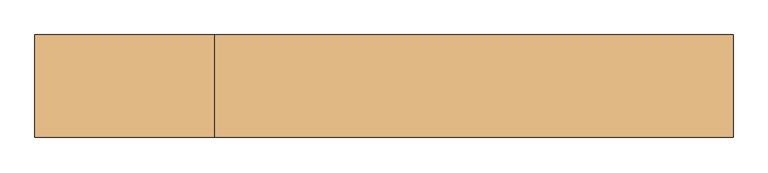
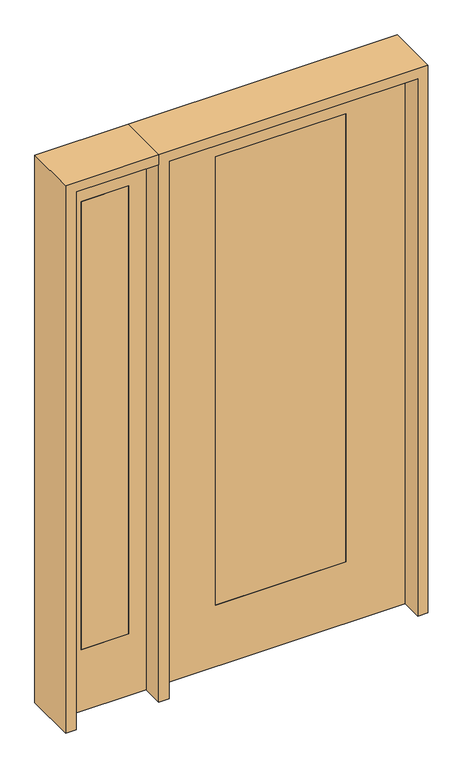
"""IFC4 building model written with IfcOpenShell, lengths in millimetres: door geometry."""

from ifc_helpers import new_model, si_unit, frame, origin, place, context, project, spatial, polyline, outline, extrude, source, transform, mapped, element, save


def door_0885e00e(model_context):
    return source(origin(), model_context, "Body", "SweptSolid", [
        extrude(outline(polyline([(-654.05, -20.6375), (-857.25, -20.6375), (-857.25, 20.6375), (-654.05, 20.6375), (-654.05, -20.6375)])), frame((0.0, 0.0, 279.4), z_axis=(0.0, 0.0, 1.0), x_axis=(1.0, 0.0, 0.0)), (0.0, 0.0, 1.0), 2032.0),
        extrude(outline(polyline([(0.0, -933.45), (0.0, -577.85), (2438.4, -577.85), (2438.4, -933.45), (0.0, -933.45)]), holes=[polyline([(2311.4, -654.05), (279.4, -654.05), (279.4, -857.25), (2311.4, -857.25), (2311.4, -654.05)])]), frame((0.0, -20.6375, 0.0), z_axis=(0.0, 1.0, 0.0), x_axis=(0.0, 0.0, 1.0)), (0.0, 0.0, 1.0), 41.275),
        extrude(outline(polyline([(2438.4, 533.4), (2438.4, -533.4), (0.0, -533.4), (0.0, 533.4), (2438.4, 533.4)]), holes=[polyline([(279.4, 279.4), (279.4, -279.4), (2311.4, -279.4), (2311.4, 279.4), (279.4, 279.4)])]), frame((0.0, -20.6375, 0.0), z_axis=(0.0, 1.0, 0.0), x_axis=(0.0, 0.0, 1.0)), (0.0, 0.0, 1.0), 41.275),
        extrude(outline(polyline([(279.4, -20.6375), (-279.4, -20.6375), (-279.4, 20.6375), (279.4, 20.6375), (279.4, -20.6375)])), frame((0.0, 0.0, 279.4), z_axis=(0.0, 0.0, 1.0), x_axis=(1.0, 0.0, 0.0)), (0.0, 0.0, 1.0), 2032.0),
        extrude(outline(polyline([(2438.4, -577.85), (2482.85, -577.85), (2482.85, -977.9), (0.0, -977.9), (0.0, -933.45), (2438.4, -933.45), (2438.4, -577.85)])), frame((0.0, -114.3, 0.0), z_axis=(0.0, 1.0, 0.0), x_axis=(0.0, 0.0, 1.0)), (0.0, 0.0, 1.0), 228.6),
        extrude(outline(polyline([(2482.85, -577.85), (0.0, -577.85), (0.0, -533.4), (2438.4, -533.4), (2438.4, 533.4), (0.0, 533.4), (0.0, 577.85), (2482.85, 577.85), (2482.85, -577.85)])), frame((0.0, -114.3, 0.0), z_axis=(0.0, 1.0, 0.0), x_axis=(0.0, 0.0, 1.0)), (0.0, 0.0, 1.0), 228.6),
    ])


if __name__ == "__main__":
    model = new_model("IFC4")
    model_context = context("Model", 3, world=origin())
    ifc_project = project(units=[si_unit("LENGTHUNIT", "METRE", prefix="MILLI")], contexts=[model_context])
    site = spatial("IfcSite", under=ifc_project)
    building = spatial("IfcBuilding", under=site)
    placement = place(None, origin())
    door_shape = door_0885e00e(model_context)
    element("IfcDoor", 1, at=placement, inside=building, context=model_context, shape_type="MappedRepresentation", body=[
        mapped(door_shape, transform((0.0, 0.0, 0.0), x_axis=(1.0, 0.0, 0.0), y_axis=(0.0, 1.0, 0.0), z_axis=(0.0, 0.0, 1.0))),
    ])
    save(model, "model.ifc")
